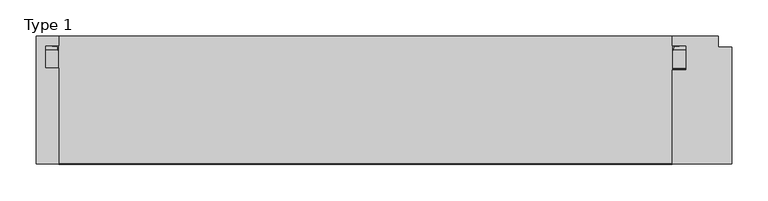
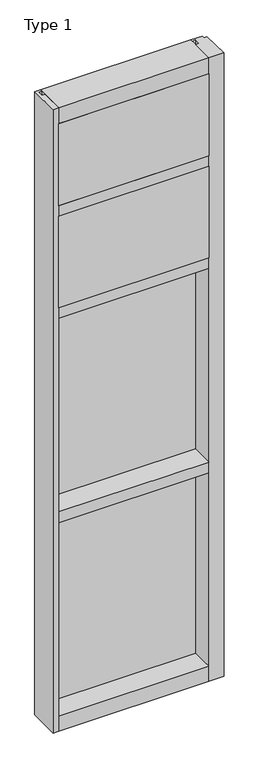
"""IFC4 building model written with IfcOpenShell, lengths in millimetres: plate geometry, Type 1."""

from ifc_helpers import new_model, si_unit, point, frame, frame_2d, origin, place, context, project, spatial, polyline, circle_curve, trimmed, segment, composite_curve, outline, extrude, source, transform, mapped, element, save


def type_1_53b6a292(model_context):
    return source(origin(), model_context, "Body", "SweptSolid", [
        extrude(outline(polyline([(34.0360843, 3579.4782689), (34.0360843, 3568.7272341), (27.686, 3566.9739421), (27.686, 3579.4782689), (34.0360843, 3579.4782689)])), frame((-444.5, 0.0, 0.0), z_axis=(1.0, 0.0, 0.0), x_axis=(0.0, 1.0, 0.0)), (0.0, 0.0, 1.0), 889.0),
        extrude(outline(composite_curve([segment(polyline([(-425.9374462, 27.686), (-426.9039521, 27.686), (-426.9314595, 31.7563748)]), True, "CONTINUOUS"), segment(trimmed(circle_curve(frame_2d((-427.566445, 31.7520836)), 0.635), [point((-426.9314595, 31.7563748))], [point((-427.5313642, 32.3861138))], True, "CARTESIAN"), True, "CONTINUOUS"), segment(polyline([(-427.5313642, 32.3861138), (-434.2867251, 32.7598869)]), True, "CONTINUOUS"), segment(trimmed(circle_curve(frame_2d((-434.1041718, 33.7593519)), 1.016), [point((-434.2867251, 32.7598869))], [point((-435.0817504, 34.0361122))], False, "CARTESIAN"), True, "CONTINUOUS"), segment(polyline([(-435.0817504, 34.0361122), (-425.5265008, 34.0361122), (-425.9374462, 27.686)]), True, "CONTINUOUS")], self_intersect=False)), frame((0.0, 0.0, 3068.9728643), z_axis=(0.0, 0.0, 1.0), x_axis=(1.0, 0.0, 0.0)), (0.0, 0.0, 1.0), 518.7771357),
        extrude(outline(composite_curve([segment(polyline([(425.9374462, 27.686), (425.5265008, 34.0361122), (435.0817504, 34.0361122)]), True, "CONTINUOUS"), segment(trimmed(circle_curve(frame_2d((434.1041718, 33.7593519)), 1.016), [point((435.0817504, 34.0361122))], [point((434.2867251, 32.7598869))], False, "CARTESIAN"), True, "CONTINUOUS"), segment(polyline([(434.2867251, 32.7598869), (427.5313642, 32.3861138)]), True, "CONTINUOUS"), segment(trimmed(circle_curve(frame_2d((427.566445, 31.7520836)), 0.635), [point((427.5313642, 32.3861138))], [point((426.9314595, 31.7563748))], True, "CARTESIAN"), True, "CONTINUOUS"), segment(polyline([(426.9314595, 31.7563748), (426.9039521, 27.686), (425.9374462, 27.686)]), True, "CONTINUOUS")], self_intersect=False)), frame((0.0, 0.0, 3068.9728643), z_axis=(0.0, 0.0, 1.0), x_axis=(1.0, 0.0, 0.0)), (0.0, 0.0, 1.0), 518.7771357),
        extrude(outline(polyline([(34.0361122, 3068.9728643), (27.686, 3068.9728643), (27.686, 3081.4771952), (34.0361122, 3079.7238955), (34.0361122, 3068.9728643)])), frame((-435.0817504, 0.0, 0.0), z_axis=(1.0, 0.0, 0.0), x_axis=(0.0, 1.0, 0.0)), (0.0, 0.0, 1.0), 870.1635007),
        extrude(outline(polyline([(427.0375, -48.6030703), (425.45, -131.0159103), (-425.45, -131.0159103), (-427.0375, -48.6030703), (427.0375, -48.6030703)])), frame((0.0, 0.0, 3079.75), z_axis=(0.0, 0.0, 1.0), x_axis=(1.0, 0.0, 0.0)), (0.0, 0.0, 1.0), 488.95),
        extrude(outline(polyline([(-444.5, 27.686), (444.5, 27.686), (444.5, 2.286), (-444.5, 2.286), (-444.5, 27.686)])), frame((0.0, 0.0, 3060.7), z_axis=(0.0, 0.0, 1.0), x_axis=(1.0, 0.0, 0.0)), (0.0, 0.0, 1.0), 527.05),
        extrude(outline(composite_curve([segment(polyline([(34.0360974, 3027.0282838), (34.0360974, 3016.1659828)]), True, "CONTINUOUS"), segment(trimmed(circle_curve(frame_2d((38.5198748, 2991.1648681)), 25.4), [point((34.0360974, 3016.1659828))], [point((27.686, 3014.1384868))], True, "CARTESIAN"), True, "CONTINUOUS"), segment(polyline([(27.686, 3014.1384868), (27.686, 3027.0282838), (34.0360974, 3027.0282838)]), True, "CONTINUOUS")], self_intersect=False)), frame((-444.5, 0.0, 0.0), z_axis=(1.0, 0.0, 0.0), x_axis=(0.0, 1.0, 0.0)), (0.0, 0.0, 1.0), 889.0),
        extrude(outline(composite_curve([segment(polyline([(-425.5265008, 34.0361122), (-425.9374462, 27.686), (-426.9039521, 27.686), (-426.9314595, 31.7563748)]), True, "CONTINUOUS"), segment(trimmed(circle_curve(frame_2d((-427.566445, 31.7520836)), 0.635), [point((-426.9314595, 31.7563748))], [point((-427.5313642, 32.3861138))], True, "CARTESIAN"), True, "CONTINUOUS"), segment(polyline([(-427.5313642, 32.3861138), (-434.2867251, 32.7598869)]), True, "CONTINUOUS"), segment(trimmed(circle_curve(frame_2d((-434.1041718, 33.7593519)), 1.016), [point((-434.2867251, 32.7598869))], [point((-435.0817504, 34.0361122))], False, "CARTESIAN"), True, "CONTINUOUS"), segment(polyline([(-435.0817504, 34.0361122), (-425.5265008, 34.0361122)]), True, "CONTINUOUS")], self_intersect=False)), frame((0.0, 0.0, 2459.3728643), z_axis=(0.0, 0.0, 1.0), x_axis=(1.0, 0.0, 0.0)), (0.0, 0.0, 1.0), 575.9271357),
        extrude(outline(composite_curve([segment(polyline([(425.9374462, 27.686), (425.5265008, 34.0361122), (435.0817504, 34.0361122)]), True, "CONTINUOUS"), segment(trimmed(circle_curve(frame_2d((434.1041718, 33.7593519)), 1.016), [point((435.0817504, 34.0361122))], [point((434.2867251, 32.7598869))], False, "CARTESIAN"), True, "CONTINUOUS"), segment(polyline([(434.2867251, 32.7598869), (427.5313642, 32.3861138)]), True, "CONTINUOUS"), segment(trimmed(circle_curve(frame_2d((427.566445, 31.7520836)), 0.635), [point((427.5313642, 32.3861138))], [point((426.9314595, 31.7563748))], True, "CARTESIAN"), True, "CONTINUOUS"), segment(polyline([(426.9314595, 31.7563748), (426.9039521, 27.686), (425.9374462, 27.686)]), True, "CONTINUOUS")], self_intersect=False)), frame((0.0, 0.0, 2459.3728643), z_axis=(0.0, 0.0, 1.0), x_axis=(1.0, 0.0, 0.0)), (0.0, 0.0, 1.0), 575.9271357),
        extrude(outline(polyline([(34.0361122, 2459.3728643), (27.686, 2459.3728643), (27.686, 2471.8771952), (34.0361122, 2470.1238955), (34.0361122, 2459.3728643)])), frame((-435.0817504, 0.0, 0.0), z_axis=(1.0, 0.0, 0.0), x_axis=(0.0, 1.0, 0.0)), (0.0, 0.0, 1.0), 870.1635007),
        extrude(outline(polyline([(425.45, -48.514), (425.45, -131.0159103), (-425.45, -131.0159103), (-425.45, -48.514), (425.45, -48.514)])), frame((0.0, 0.0, 2470.15), z_axis=(0.0, 0.0, 1.0), x_axis=(1.0, 0.0, 0.0)), (0.0, 0.0, 1.0), 546.1),
        extrude(outline(polyline([(444.5, 27.686), (444.5, 2.286), (-444.5, 2.286), (-444.5, 27.686), (444.5, 27.686)])), frame((0.0, 0.0, 2451.1), z_axis=(0.0, 0.0, 1.0), x_axis=(1.0, 0.0, 0.0)), (0.0, 0.0, 1.0), 584.2),
        extrude(outline(polyline([(-457.2, -130.5814), (-457.2, 47.2186), (-425.4489108, 47.2186), (-425.4489108, 34.036), (-444.5, 34.036), (-444.5, 2.286), (-425.45, 2.286), (-425.45, -130.5814), (-457.2, -130.5814)])), frame((0.0, 0.0, -57.15), z_axis=(0.0, 0.0, 1.0), x_axis=(1.0, 0.0, 0.0)), (0.0, 0.0, 1.0), 3721.1),
        extrude(outline(polyline([(425.4510892, -130.5814), (425.4510892, 0.0), (444.5010892, 0.0), (444.5010892, 34.036), (425.4510892, 34.036), (425.4510892, 47.2186), (488.9510892, 47.2186), (488.9510892, 31.3944), (508.0010892, 31.3944), (508.0010892, -130.5814), (425.4510892, -130.5814)])), frame((0.0, 0.0, -57.15), z_axis=(0.0, 0.0, 1.0), x_axis=(1.0, 0.0, 0.0)), (0.0, 0.0, 1.0), 3721.1),
        extrude(outline(polyline([(27.686, 1252.6752684), (34.036, 1250.9219997), (34.036, 1240.1709644), (27.686, 1240.1709644), (27.686, 1252.6752684)])), frame((-435.0828713, 0.0, 0.0), z_axis=(1.0, 0.0, 0.0), x_axis=(0.0, 1.0, 0.0)), (0.0, 0.0, 1.0), 870.1657427),
        extrude(outline(polyline([(27.6860992, 2417.4309356), (34.0360992, 2417.4309356), (34.0360992, 2406.6798775), (27.6860992, 2404.9266088), (27.6860992, 2417.4309356)])), frame((-435.0828713, 0.0, 0.0), z_axis=(1.0, 0.0, 0.0), x_axis=(0.0, 1.0, 0.0)), (0.0, 0.0, 1.0), 870.1657427),
        extrude(outline(composite_curve([segment(trimmed(circle_curve(frame_2d((-427.5675342, 31.7520836)), 0.635), [point((-426.9325487, 31.7563748))], [point((-427.5324534, 32.3861138))], True, "CARTESIAN"), True, "CONTINUOUS"), segment(polyline([(-427.5324534, 32.3861138), (-434.2878143, 32.7598869)]), True, "CONTINUOUS"), segment(trimmed(circle_curve(frame_2d((-434.1052611, 33.7593519)), 1.016), [point((-434.2878143, 32.7598869))], [point((-435.0828713, 34.036))], False, "CARTESIAN"), True, "CONTINUOUS"), segment(polyline([(-435.0828713, 34.036), (-425.5275972, 34.036), (-425.9385354, 27.686), (-426.9050413, 27.686), (-426.9325487, 31.7563748)]), True, "CONTINUOUS")], self_intersect=False)), frame((0.0, 0.0, 1240.1709644), z_axis=(0.0, 0.0, 1.0), x_axis=(1.0, 0.0, 0.0)), (0.0, 0.0, 1.0), 1177.2580861),
        extrude(outline(composite_curve([segment(polyline([(425.9385354, 27.686), (425.5275972, 34.036), (435.0828713, 34.036)]), True, "CONTINUOUS"), segment(trimmed(circle_curve(frame_2d((434.1052611, 33.7593519)), 1.016), [point((435.0828713, 34.036))], [point((434.2878143, 32.7598869))], False, "CARTESIAN"), True, "CONTINUOUS"), segment(polyline([(434.2878143, 32.7598869), (427.5324534, 32.3861138)]), True, "CONTINUOUS"), segment(trimmed(circle_curve(frame_2d((427.5675342, 31.7520836)), 0.635), [point((427.5324534, 32.3861138))], [point((426.9325487, 31.7563748))], True, "CARTESIAN"), True, "CONTINUOUS"), segment(polyline([(426.9325487, 31.7563748), (426.9050413, 27.686), (425.9385354, 27.686)]), True, "CONTINUOUS")], self_intersect=False)), frame((0.0, 0.0, 1240.1709644), z_axis=(0.0, 0.0, 1.0), x_axis=(1.0, 0.0, 0.0)), (0.0, 0.0, 1.0), 1177.2580861),
        extrude(outline(polyline([(444.5010892, 27.686), (444.5010892, 2.286), (-444.5010892, 2.286), (-444.5010892, 27.686), (444.5010892, 27.686)])), frame((0.0, 0.0, 1231.8962001), z_axis=(0.0, 0.0, 1.0), x_axis=(1.0, 0.0, 0.0)), (0.0, 0.0, 1.0), 1193.8037999),
        extrude(outline(polyline([(27.686, 33.4752684), (34.036, 31.7219997), (34.036, 20.9709644), (27.686, 20.9709644), (27.686, 33.4752684)])), frame((-435.0828713, 0.0, 0.0), z_axis=(1.0, 0.0, 0.0), x_axis=(0.0, 1.0, 0.0)), (0.0, 0.0, 1.0), 870.1657427),
        extrude(outline(polyline([(27.6860992, 1198.2309356), (34.0360992, 1198.2309356), (34.0360992, 1187.4798775), (27.6860992, 1185.7266088), (27.6860992, 1198.2309356)])), frame((-435.0828713, 0.0, 0.0), z_axis=(1.0, 0.0, 0.0), x_axis=(0.0, 1.0, 0.0)), (0.0, 0.0, 1.0), 870.1657427),
        extrude(outline(composite_curve([segment(trimmed(circle_curve(frame_2d((-427.5675342, 31.7520836)), 0.635), [point((-426.9325487, 31.7563748))], [point((-427.5324534, 32.3861138))], True, "CARTESIAN"), True, "CONTINUOUS"), segment(polyline([(-427.5324534, 32.3861138), (-434.2878143, 32.7598869)]), True, "CONTINUOUS"), segment(trimmed(circle_curve(frame_2d((-434.1052611, 33.7593519)), 1.016), [point((-434.2878143, 32.7598869))], [point((-435.0828713, 34.036))], False, "CARTESIAN"), True, "CONTINUOUS"), segment(polyline([(-435.0828713, 34.036), (-425.5275972, 34.036), (-425.9385354, 27.686), (-426.9050413, 27.686), (-426.9325487, 31.7563748)]), True, "CONTINUOUS")], self_intersect=False)), frame((0.0, 0.0, 20.9709644), z_axis=(0.0, 0.0, 1.0), x_axis=(1.0, 0.0, 0.0)), (0.0, 0.0, 1.0), 1177.2580861),
        extrude(outline(composite_curve([segment(polyline([(425.9385354, 27.686), (425.5275972, 34.036), (435.0828713, 34.036)]), True, "CONTINUOUS"), segment(trimmed(circle_curve(frame_2d((434.1052611, 33.7593519)), 1.016), [point((435.0828713, 34.036))], [point((434.2878143, 32.7598869))], False, "CARTESIAN"), True, "CONTINUOUS"), segment(polyline([(434.2878143, 32.7598869), (427.5324534, 32.3861138)]), True, "CONTINUOUS"), segment(trimmed(circle_curve(frame_2d((427.5675342, 31.7520836)), 0.635), [point((427.5324534, 32.3861138))], [point((426.9325487, 31.7563748))], True, "CARTESIAN"), True, "CONTINUOUS"), segment(polyline([(426.9325487, 31.7563748), (426.9050413, 27.686), (425.9385354, 27.686)]), True, "CONTINUOUS")], self_intersect=False)), frame((0.0, 0.0, 20.9709644), z_axis=(0.0, 0.0, 1.0), x_axis=(1.0, 0.0, 0.0)), (0.0, 0.0, 1.0), 1177.2580861),
        extrude(outline(polyline([(444.5010892, 27.686), (444.5010892, 2.286), (-444.5010892, 2.286), (-444.5010892, 27.686), (444.5010892, 27.686)])), frame((0.0, 0.0, 12.6962001), z_axis=(0.0, 0.0, 1.0), x_axis=(1.0, 0.0, 0.0)), (0.0, 0.0, 1.0), 1193.8037999),
        extrude(outline(polyline([(0.0, 3079.75), (0.0, 3060.7), (34.13125, 3060.7), (34.13125, 3079.7462001), (46.83125, 3079.7462001), (46.83125, 3016.2462001), (34.13125, 3016.2462001), (34.13125, 3035.3), (0.0, 3035.3), (0.0, 3016.25), (-130.175, 3016.25), (-130.175, 3079.75), (0.0, 3079.75)])), frame((-425.45, 0.0, 0.0), z_axis=(1.0, 0.0, 0.0), x_axis=(0.0, 1.0, 0.0)), (0.0, 0.0, 1.0), 850.9),
        extrude(outline(polyline([(0.0, 2470.15), (0.0, 2451.1), (34.13125, 2451.1), (34.13125, 2470.1462001), (46.83125, 2470.1462001), (46.83125, 2406.6462001), (34.13125, 2406.6462001), (34.13125, 2425.7), (0.0, 2425.7), (0.0, 2406.65), (-130.175, 2406.65), (-130.175, 2470.15), (0.0, 2470.15)])), frame((-425.45, 0.0, 0.0), z_axis=(1.0, 0.0, 0.0), x_axis=(0.0, 1.0, 0.0)), (0.0, 0.0, 1.0), 850.9),
        extrude(outline(polyline([(47.2186297, 3663.95), (47.2186297, 3568.7), (34.13125, 3568.7), (34.13125, 3587.75), (0.0, 3587.75), (0.0, 3568.7), (-130.175, 3568.7), (-130.175, 3663.95), (47.2186297, 3663.95)])), frame((-425.45, 0.0, 0.0), z_axis=(1.0, 0.0, 0.0), x_axis=(0.0, 1.0, 0.0)), (0.0, 0.0, 1.0), 850.9),
        extrude(outline(polyline([(0.0, 1250.95), (0.0, 1231.9), (34.13125, 1231.9), (34.13125, 1250.9462001), (46.83125, 1250.9462001), (46.83125, 1187.4462001), (34.13125, 1187.4462001), (34.13125, 1206.5), (0.0, 1206.5), (0.0, 1187.45), (-130.175, 1187.45), (-130.175, 1250.95), (0.0, 1250.95)])), frame((-425.45, 0.0, 0.0), z_axis=(1.0, 0.0, 0.0), x_axis=(0.0, 1.0, 0.0)), (0.0, 0.0, 1.0), 850.9),
        extrude(outline(polyline([(0.0, 31.75), (0.0, 12.7), (34.13125, 12.7), (34.13125, 31.751832), (47.2186148, 31.751832), (47.2186148, -57.15), (-130.175, -57.15), (-130.175, 31.75), (0.0, 31.75)])), frame((-425.45, 0.0, 0.0), z_axis=(1.0, 0.0, 0.0), x_axis=(0.0, 1.0, 0.0)), (0.0, 0.0, 1.0), 850.9),
    ])


if __name__ == "__main__":
    model = new_model("IFC4")
    model_context = context("Model", 3, world=origin())
    ifc_project = project(units=[si_unit("LENGTHUNIT", "METRE", prefix="MILLI")], contexts=[model_context])
    site = spatial("IfcSite", under=ifc_project)
    building = spatial("IfcBuilding", under=site)
    placement = place(None, origin())
    type_1_shape = type_1_53b6a292(model_context)
    element("IfcPlate", 1, ObjectType="Type 1", at=placement, inside=building, context=model_context, shape_type="MappedRepresentation", body=[
        mapped(type_1_shape, transform((0.0, 0.0, 0.0), x_axis=(1.0, 0.0, 0.0), y_axis=(0.0, 1.0, 0.0), z_axis=(0.0, 0.0, 1.0))),
    ])
    save(model, "model.ifc")
